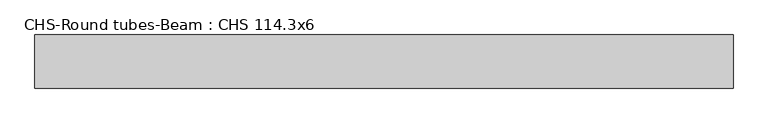
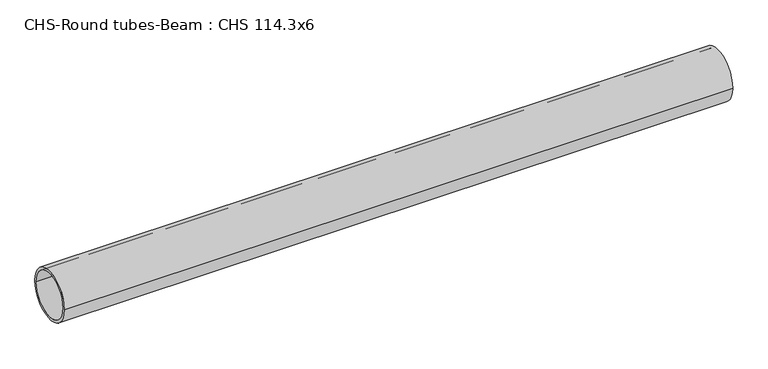
"""IFC4 building model written with IfcOpenShell, lengths in millimetres: beam geometry, CHS-Round tubes-Beam : CHS 114.3x6."""

import ifcopenshell
import ifcopenshell.guid

model = None  # the IFC model being written
_history = None  # IfcOwnerHistory: only IFC2X3 demands one
_inside = {}  # id of a spatial element -> (the spatial element, [elements in it])
_under = {}  # id of a project, library or spatial element -> (it, [spatial elements below it])
_declared = {}  # id of a project -> (the project, [libraries it declares])
_typed = {}  # id of a type object -> (the type object, [elements of that type])
_made_of = {}  # id of a material, layer set ... -> (it, [elements and type objects made of it])


def new_model(schema):
    """Start an empty IFC model of exactly this schema.

    Asked for "IFC4X3", IfcOpenShell would pick the latest addendum, in which some entities
    have other attributes; the version numbers below select the first issue.
    IFC2X3 requires an IfcOwnerHistory on every rooted entity: one is made here for all.
    """
    global model, _history
    if schema == "IFC4X3":
        model = ifcopenshell.file(schema_version=(4, 3, 0, 0))
    else:
        model = ifcopenshell.file(schema=schema)
    _inside.clear()
    _under.clear()
    _declared.clear()
    _typed.clear()
    _made_of.clear()
    _history = None
    if model.schema == "IFC2X3":
        org = make("IfcOrganization", Name="unknown")
        user = make(
            "IfcPersonAndOrganization",
            ThePerson=make("IfcPerson", FamilyName="unknown"),
            TheOrganization=org,
        )
        app = make(
            "IfcApplication",
            ApplicationDeveloper=org,
            Version="unknown",
            ApplicationFullName="unknown",
            ApplicationIdentifier="unknown",
        )
        _history = make(
            "IfcOwnerHistory",
            OwningUser=user,
            OwningApplication=app,
            ChangeAction="ADDED",
            CreationDate=0,
        )
    return model


def make(cls, **values):
    """One entity of the class cls with the attributes given. An attribute that is None is left unset."""
    return model.create_entity(
        cls, **{name: value for name, value in values.items() if value is not None}
    )


def rooted(cls, **values):
    """An entity with a GlobalId (a new one), such as an element, a storey or a relation."""
    return make(cls, GlobalId=ifcopenshell.guid.new(), OwnerHistory=_history, **values)


def si_unit(unit_type, name, prefix=None):
    """IfcSIUnit, for example si_unit("LENGTHUNIT", "METRE", prefix="MILLI")."""
    return make("IfcSIUnit", UnitType=unit_type, Prefix=prefix, Name=name)


def assignment(units):
    """IfcUnitAssignment: the units of a project."""
    return None if units is None else make("IfcUnitAssignment", Units=units)


def point(xyz):
    """IfcCartesianPoint."""
    return None if xyz is None else make("IfcCartesianPoint", Coordinates=xyz)


def direction(xyz):
    """IfcDirection."""
    return None if xyz is None else make("IfcDirection", DirectionRatios=xyz)


def frame(location, z_axis=None, x_axis=None):
    """IfcAxis2Placement3D, a coordinate frame: its origin and axes. An axis left out is left unset."""
    return make(
        "IfcAxis2Placement3D",
        Location=point(location),
        Axis=direction(z_axis),
        RefDirection=direction(x_axis),
    )


def frame_2d(location, x_axis=None):
    """IfcAxis2Placement2D, a coordinate frame in the plane: its origin and x axis."""
    return make(
        "IfcAxis2Placement2D", Location=point(location), RefDirection=direction(x_axis)
    )


def origin():
    """The frame at (0, 0, 0) with its axes left unset."""
    return frame((0.0, 0.0, 0.0))


def origin_2d():
    """The frame at (0, 0) in the plane with its x axis left unset."""
    return frame_2d((0.0, 0.0))


def place(relative_to, where):
    """IfcLocalPlacement: puts the frame where relative to a parent placement (None: the world)."""
    return make(
        "IfcLocalPlacement", PlacementRelTo=relative_to, RelativePlacement=where
    )


def context(
    kind, dimensions, precision=None, world=None, true_north=None, identifier=None
):
    """IfcGeometricRepresentationContext, for example the 3D "Model" context."""
    return make(
        "IfcGeometricRepresentationContext",
        ContextIdentifier=identifier,
        ContextType=kind,
        CoordinateSpaceDimension=dimensions,
        Precision=precision,
        WorldCoordinateSystem=world,
        TrueNorth=true_north,
    )


def project(units=None, contexts=None):
    """IfcProject with its units and contexts."""
    return rooted(
        "IfcProject",
        Name="project",
        RepresentationContexts=contexts,
        UnitsInContext=assignment(units),
    )


def spatial(cls, under=None, at=None, **own):
    """A site, building, storey or space (cls), placed at a placement, below another one or the project."""
    s = rooted(cls, ObjectPlacement=at, **own)
    if under is not None:
        _under.setdefault(under.id(), (under, []))[1].append(s)
    return s


def circle_curve(where, radius):
    """IfcCircle in the frame where."""
    return make("IfcCircle", Position=where, Radius=radius)


def trimmed(basis, trim1, trim2, sense, master):
    """IfcTrimmedCurve: the piece of a basis curve between two trims."""
    return make(
        "IfcTrimmedCurve",
        BasisCurve=basis,
        Trim1=trim1,
        Trim2=trim2,
        SenseAgreement=sense,
        MasterRepresentation=master,
    )


def segment(curve, same_sense, transition):
    """IfcCompositeCurveSegment."""
    return make(
        "IfcCompositeCurveSegment",
        Transition=transition,
        SameSense=same_sense,
        ParentCurve=curve,
    )


def composite_curve(segments, self_intersect=None):
    """IfcCompositeCurve: segments joined end to end."""
    return make("IfcCompositeCurve", Segments=segments, SelfIntersect=self_intersect)


def outline(outer, holes=None, kind="AREA"):
    """IfcArbitraryClosedProfileDef: a profile drawn as a closed curve; with holes, ...WithVoids."""
    if holes is None:
        return make("IfcArbitraryClosedProfileDef", ProfileType=kind, OuterCurve=outer)
    return make(
        "IfcArbitraryProfileDefWithVoids",
        ProfileType=kind,
        OuterCurve=outer,
        InnerCurves=holes,
    )


def extrude(swept, where, along, depth):
    """IfcExtrudedAreaSolid: the profile swept, set in the frame where, extruded along a direction by depth."""
    return make(
        "IfcExtrudedAreaSolid",
        SweptArea=swept,
        Position=where,
        ExtrudedDirection=direction(along),
        Depth=depth,
    )


def shape(context_of_items, identifier, shape_type, items):
    """IfcShapeRepresentation: the items that make up one representation, for example the "Body"."""
    return make(
        "IfcShapeRepresentation",
        ContextOfItems=context_of_items,
        RepresentationIdentifier=identifier,
        RepresentationType=shape_type,
        Items=items,
    )


def source(mapping_origin, context_of_items, identifier, shape_type, items):
    """IfcRepresentationMap: a shape defined once, which mapped items show again and again."""
    return make(
        "IfcRepresentationMap",
        MappingOrigin=mapping_origin,
        MappedRepresentation=shape(context_of_items, identifier, shape_type, items),
    )


def transform(
    local_origin,
    x_axis=None,
    y_axis=None,
    z_axis=None,
    scale=None,
    scale2=None,
    scale3=None,
    uniform=True,
):
    """IfcCartesianTransformationOperator3D, or its non-uniform kind. x_axis, y_axis, z_axis: its Axis1, 2, 3."""
    if uniform:
        return make(
            "IfcCartesianTransformationOperator3D",
            Axis1=direction(x_axis),
            Axis2=direction(y_axis),
            LocalOrigin=point(local_origin),
            Scale=scale,
            Axis3=direction(z_axis),
        )
    return make(
        "IfcCartesianTransformationOperator3DnonUniform",
        Axis1=direction(x_axis),
        Axis2=direction(y_axis),
        LocalOrigin=point(local_origin),
        Scale=scale,
        Axis3=direction(z_axis),
        Scale2=scale2,
        Scale3=scale3,
    )


def mapped(mapping_source, mapping_target):
    """IfcMappedItem: shows the shape of a source again, moved by a transform."""
    return make(
        "IfcMappedItem", MappingSource=mapping_source, MappingTarget=mapping_target
    )


def made_of(thing, what):
    """Note that an element or type object is made of a material, layer set ...; save() writes the relation."""
    if what is not None:
        _made_of.setdefault(what.id(), (what, []))[1].append(thing)
    return thing


def element(
    cls,
    number,
    at=None,
    inside=None,
    cuts=None,
    type_object=None,
    material=None,
    context=None,
    identifier="Body",
    shape_type=None,
    held_by="IfcProductDefinitionShape",
    body=None,
    shapes=None,
    **own,
):
    """One element of the class cls, such as IfcWall. Its Tag is "e" and its number.

    at: its placement. inside: the storey or other place that contains it. cuts: it is an
    opening in that element (IfcRelVoidsElement). A single representation is given by context,
    identifier, shape_type and body (its items); several are given by shapes. held_by: the class
    of the entity that holds the representations. save() writes the other relations.
    """
    e = rooted(cls, Tag="e%d" % number, ObjectPlacement=at, **own)
    if body is not None:
        shapes = [shape(context, identifier, shape_type, body)]
    if shapes is not None:
        e.Representation = make(held_by, Representations=shapes)
    if inside is not None:
        _inside.setdefault(inside.id(), (inside, []))[1].append(e)
    if cuts is not None:
        rooted(
            "IfcRelVoidsElement", RelatingBuildingElement=cuts, RelatedOpeningElement=e
        )
    if type_object is not None:
        _typed.setdefault(type_object.id(), (type_object, []))[1].append(e)
    return made_of(e, material)


def aggregate(whole, parts):
    """IfcRelAggregates: a whole, such as a stair, and the parts it consists of."""
    return rooted("IfcRelAggregates", RelatingObject=whole, RelatedObjects=parts)


def save(model, path):
    """Write the relations noted so far, then the file.

    IfcRelAggregates (storeys below a building ...), IfcRelContainedInSpatialStructure (elements
    in a storey), IfcRelDefinesByType, IfcRelAssociatesMaterial and IfcRelDeclares: one each for
    every whole, place, type object, material and project.
    """
    for whole, parts in _under.values():
        aggregate(whole, parts)
    for where, things in _inside.values():
        rooted(
            "IfcRelContainedInSpatialStructure",
            RelatedElements=things,
            RelatingStructure=where,
        )
    for kind, things in _typed.values():
        rooted("IfcRelDefinesByType", RelatedObjects=things, RelatingType=kind)
    for what, things in _made_of.values():
        rooted("IfcRelAssociatesMaterial", RelatedObjects=things, RelatingMaterial=what)
    for by, libraries in _declared.values():
        rooted("IfcRelDeclares", RelatingContext=by, RelatedDefinitions=libraries)
    model.write(path)


def chs_round_tubes_beam_chs_114_3x6_bf857e9b(model_context):
    return source(origin(), model_context, "Body", "SweptSolid", [
        extrude(outline(composite_curve([segment(trimmed(circle_curve(origin_2d(), 57.15), [point((57.15, 0.0))], [point((-57.15, 0.0))], False, "CARTESIAN"), True, "CONTINUOUS"), segment(trimmed(circle_curve(origin_2d(), 57.15), [point((-57.15, 0.0))], [point((57.15, 0.0))], False, "CARTESIAN"), True, "CONTINUOUS")], self_intersect=False), holes=[composite_curve([segment(trimmed(circle_curve(origin_2d(), 51.15), [point((51.15, 0.0))], [point((-51.15, 0.0))], True, "CARTESIAN"), True, "CONTINUOUS"), segment(trimmed(circle_curve(origin_2d(), 51.15), [point((-51.15, 0.0))], [point((51.15, 0.0))], True, "CARTESIAN"), True, "CONTINUOUS")], self_intersect=False)]), frame((-742.1374301, 0.0, 0.0), z_axis=(1.0, 0.0, 0.0), x_axis=(0.0, 1.0, 0.0)), (0.0, 0.0, 1.0), 1501.0288406),
    ])


if __name__ == "__main__":
    model = new_model("IFC4")
    model_context = context("Model", 3, world=origin())
    ifc_project = project(units=[si_unit("LENGTHUNIT", "METRE", prefix="MILLI")], contexts=[model_context])
    site = spatial("IfcSite", under=ifc_project)
    building = spatial("IfcBuilding", under=site)
    placement = place(None, origin())
    chs_round_tubes_beam_chs_114_3x6_shape = chs_round_tubes_beam_chs_114_3x6_bf857e9b(model_context)
    element("IfcBeam", 1, ObjectType="CHS-Round tubes-Beam : CHS 114.3x6", at=placement, inside=building, context=model_context, shape_type="MappedRepresentation", body=[
        mapped(chs_round_tubes_beam_chs_114_3x6_shape, transform((0.0, 0.0, 0.0), x_axis=(1.0, 0.0, 0.0), y_axis=(0.0, 1.0, 0.0), z_axis=(0.0, 0.0, 1.0))),
    ])
    save(model, "model.ifc")
